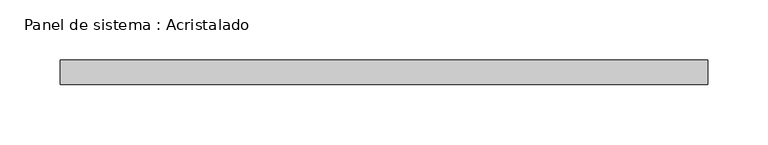
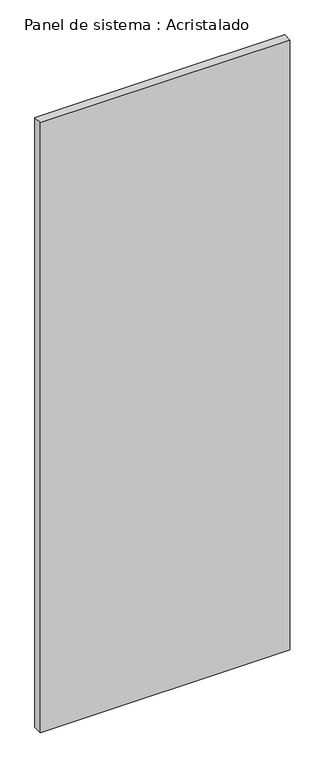
"""IFC4 building model written with IfcOpenShell, lengths in millimetres: plate geometry, Panel de sistema : Acristalado."""

from ifc_helpers import new_model, si_unit, origin, origin_with_axes, place, context, project, spatial, polyline, outline, extrude, source, transform, mapped, element, save


def panel_de_sistema_acristalado_b8487f6e(model_context):
    return source(origin(), model_context, "Body", "SweptSolid", [
        extrude(outline(polyline([(267.5, -10.0), (-267.5, -10.0), (-267.5, 10.0), (267.5, 10.0), (267.5, -10.0)])), origin_with_axes(), (0.0, 0.0, 1.0), 1382.4904288),
    ])


if __name__ == "__main__":
    model = new_model("IFC4")
    model_context = context("Model", 3, world=origin())
    ifc_project = project(units=[si_unit("LENGTHUNIT", "METRE", prefix="MILLI")], contexts=[model_context])
    site = spatial("IfcSite", under=ifc_project)
    building = spatial("IfcBuilding", under=site)
    placement = place(None, origin())
    panel_de_sistema_acristalado_shape = panel_de_sistema_acristalado_b8487f6e(model_context)
    element("IfcPlate", 1, ObjectType="Panel de sistema : Acristalado", at=placement, inside=building, context=model_context, shape_type="MappedRepresentation", body=[
        mapped(panel_de_sistema_acristalado_shape, transform((0.0, 0.0, 0.0), x_axis=(1.0, 0.0, 0.0), y_axis=(0.0, 1.0, 0.0), z_axis=(0.0, 0.0, 1.0))),
    ])
    save(model, "model.ifc")
